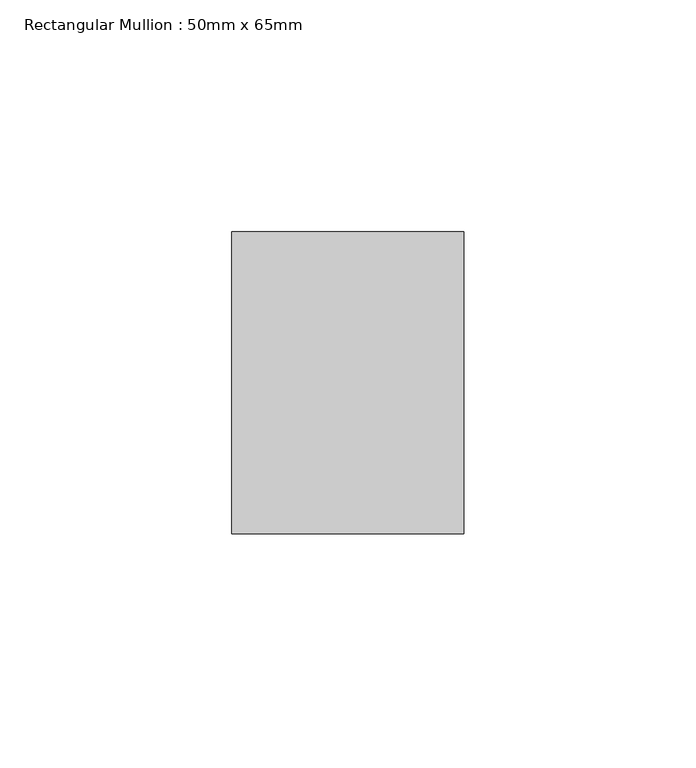
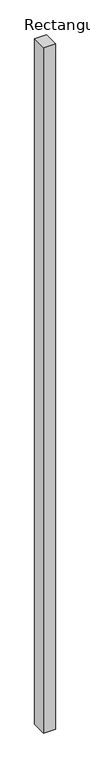
"""IFC4 building model written with IfcOpenShell, lengths in millimetres: member geometry, Rectangular Mullion : 50mm x 65mm."""

from ifc_helpers import new_model, si_unit, frame, origin, place, context, project, spatial, polyline, outline, extrude, source, transform, mapped, element, save


def rectangular_mullion_50mm_x_65mm_a7194b12(model_context):
    return source(origin(), model_context, "Body", "SweptSolid", [
        extrude(outline(polyline([(25.0, 32.5), (25.0, -32.5), (-25.0, -32.5), (-25.0, 32.5), (25.0, 32.5)])), frame((0.0, 0.0, -3078.7121063), z_axis=(0.0, 0.0, 1.0), x_axis=(1.0, 0.0, 0.0)), (0.0, 0.0, 1.0), 3078.7121063),
    ])


if __name__ == "__main__":
    model = new_model("IFC4")
    model_context = context("Model", 3, world=origin())
    ifc_project = project(units=[si_unit("LENGTHUNIT", "METRE", prefix="MILLI")], contexts=[model_context])
    site = spatial("IfcSite", under=ifc_project)
    building = spatial("IfcBuilding", under=site)
    placement = place(None, origin())
    rectangular_mullion_50mm_x_65mm_shape = rectangular_mullion_50mm_x_65mm_a7194b12(model_context)
    element("IfcMember", 1, ObjectType="Rectangular Mullion : 50mm x 65mm", at=placement, inside=building, context=model_context, shape_type="MappedRepresentation", body=[
        mapped(rectangular_mullion_50mm_x_65mm_shape, transform((0.0, 0.0, 0.0), x_axis=(1.0, 0.0, 0.0), y_axis=(0.0, 1.0, 0.0), z_axis=(0.0, 0.0, 1.0))),
    ])
    save(model, "model.ifc")
